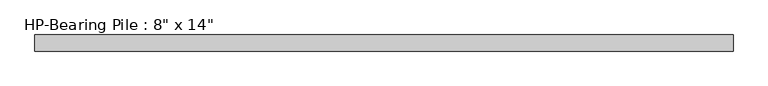
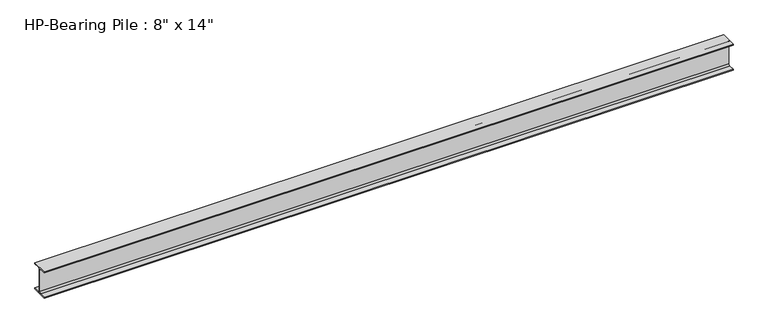
"""IFC4 building model written with IfcOpenShell, lengths in millimetres: beam geometry."""

from ifc_helpers import new_model, si_unit, point, frame, frame_2d, origin, place, context, project, spatial, polyline, circle_curve, trimmed, segment, composite_curve, outline, extrude, source, transform, mapped, element, save


def beam_99ead702(model_context):
    return source(origin(), model_context, "Body", "SweptSolid", [
        extrude(outline(composite_curve([segment(polyline([(101.6, -164.703125), (101.6, -177.8), (-101.6, -177.8), (-101.6, -164.703125), (-25.2015625, -164.703125)]), True, "CONTINUOUS"), segment(trimmed(circle_curve(frame_2d((-25.2015625, -146.05)), 18.653125), [point((-25.2015625, -164.703125))], [point((-6.5484375, -146.05))], True, "CARTESIAN"), True, "CONTINUOUS"), segment(polyline([(-6.5484375, -146.05), (-6.5484375, 146.05)]), True, "CONTINUOUS"), segment(trimmed(circle_curve(frame_2d((-25.2015625, 146.05)), 18.653125), [point((-6.5484375, 146.05))], [point((-25.2015625, 164.703125))], True, "CARTESIAN"), True, "CONTINUOUS"), segment(polyline([(-25.2015625, 164.703125), (-101.6, 164.703125), (-101.6, 177.8), (101.6, 177.8), (101.6, 164.703125), (25.2015625, 164.703125)]), True, "CONTINUOUS"), segment(trimmed(circle_curve(frame_2d((25.2015625, 146.05)), 18.653125), [point((25.2015625, 164.703125))], [point((6.5484375, 146.05))], True, "CARTESIAN"), True, "CONTINUOUS"), segment(polyline([(6.5484375, 146.05), (6.5484375, -146.05)]), True, "CONTINUOUS"), segment(trimmed(circle_curve(frame_2d((25.2015625, -146.05)), 18.653125), [point((6.5484375, -146.05))], [point((25.2015625, -164.703125))], True, "CARTESIAN"), True, "CONTINUOUS"), segment(polyline([(25.2015625, -164.703125), (101.6, -164.703125)]), True, "CONTINUOUS")], self_intersect=False)), frame((-4394.0614051, 0.0, 0.0), z_axis=(1.0, 0.0, 0.0), x_axis=(0.0, 1.0, 0.0)), (0.0, 0.0, 1.0), 8788.1228103),
    ])


if __name__ == "__main__":
    model = new_model("IFC4")
    model_context = context("Model", 3, world=origin())
    ifc_project = project(units=[si_unit("LENGTHUNIT", "METRE", prefix="MILLI")], contexts=[model_context])
    site = spatial("IfcSite", under=ifc_project)
    building = spatial("IfcBuilding", under=site)
    placement = place(None, origin())
    beam_shape = beam_99ead702(model_context)
    element("IfcBeam", 1, ObjectType="HP-Bearing Pile : 8\" x 14\"", at=placement, inside=building, context=model_context, shape_type="MappedRepresentation", body=[
        mapped(beam_shape, transform((0.0, 0.0, 0.0), x_axis=(1.0, 0.0, 0.0), y_axis=(0.0, 1.0, 0.0), z_axis=(0.0, 0.0, 1.0))),
    ])
    save(model, "model.ifc")
